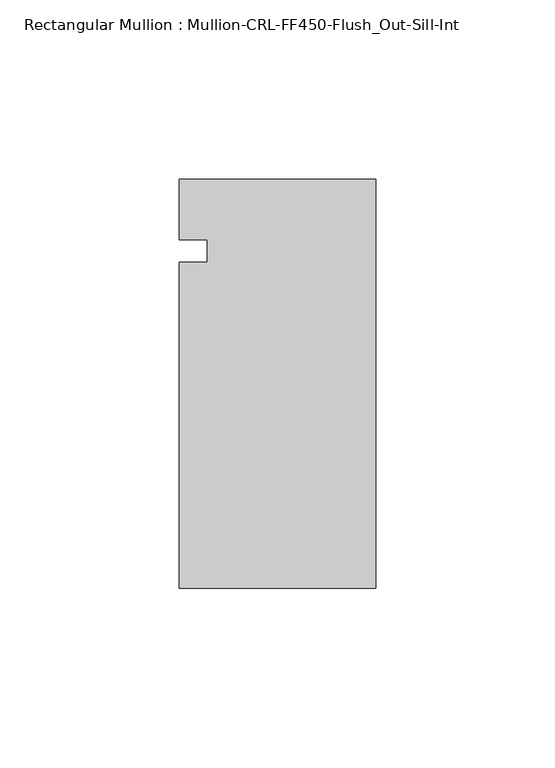
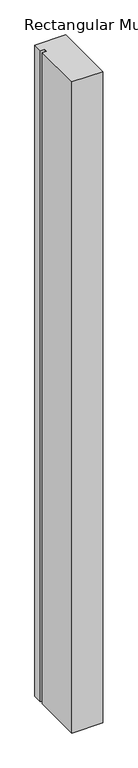
"""IFC4 building model written with IfcOpenShell, lengths in millimetres: member geometry, Rectangular Mullion : Mullion-CRL-FF450-Flush_Out-Sill-Int."""

from ifc_helpers import new_model, si_unit, frame, origin, place, context, project, spatial, polyline, outline, extrude, source, transform, mapped, element, save


def rectangular_mullion_mullion_crl_ff450_flush_out_sill_int_d02537d9(model_context):
    return source(origin(), model_context, "Body", "SweptSolid", [
        extrude(outline(polyline([(-54.9910181, -94.1461601), (-54.9910181, -3.1555912), (-47.0535181, -3.1555912), (-47.0535181, 3.1944088), (-54.9910181, 3.1944088), (-54.9910181, 20.160815), (0.0, 20.160815), (0.0, -94.1461601), (-54.9910181, -94.1461601)])), frame((0.0, 0.0, -1226.5990292), z_axis=(0.0, 0.0, 1.0), x_axis=(1.0, 0.0, 0.0)), (0.0, 0.0, 1.0), 1226.5990292),
    ])


if __name__ == "__main__":
    model = new_model("IFC4")
    model_context = context("Model", 3, world=origin())
    ifc_project = project(units=[si_unit("LENGTHUNIT", "METRE", prefix="MILLI")], contexts=[model_context])
    site = spatial("IfcSite", under=ifc_project)
    building = spatial("IfcBuilding", under=site)
    placement = place(None, origin())
    rectangular_mullion_mullion_crl_ff450_flush_out_sill_int_shape = rectangular_mullion_mullion_crl_ff450_flush_out_sill_int_d02537d9(model_context)
    element("IfcMember", 1, ObjectType="Rectangular Mullion : Mullion-CRL-FF450-Flush_Out-Sill-Int", at=placement, inside=building, context=model_context, shape_type="MappedRepresentation", body=[
        mapped(rectangular_mullion_mullion_crl_ff450_flush_out_sill_int_shape, transform((0.0, 0.0, 0.0), x_axis=(1.0, 0.0, 0.0), y_axis=(0.0, 1.0, 0.0), z_axis=(0.0, 0.0, 1.0))),
    ])
    save(model, "model.ifc")
